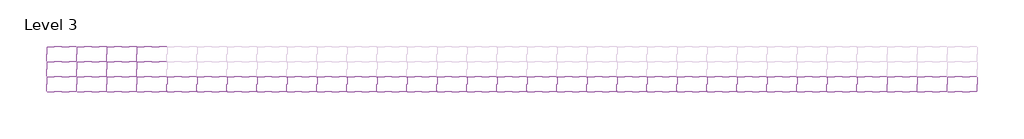
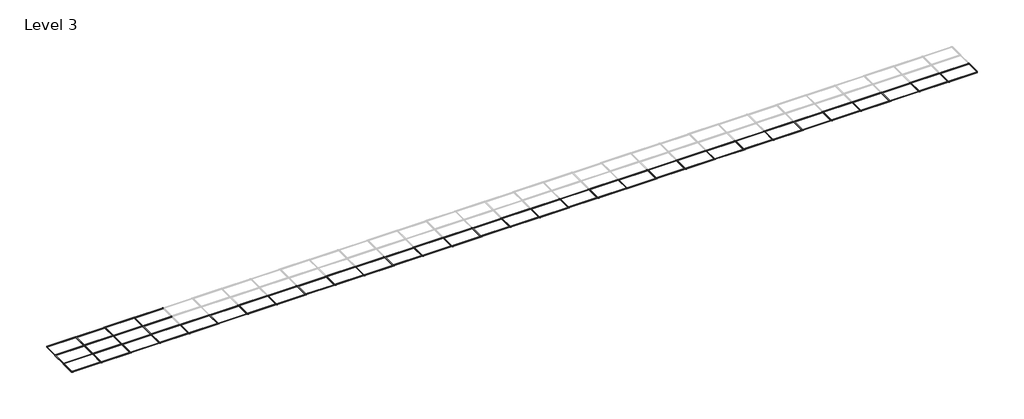
# One storey, part 1 of 2: 110 beams.
"""IFC4 building model written with IfcOpenShell, lengths in millimetres."""

import ifcopenshell
import ifcopenshell.guid

model = None  # the IFC model being written
_history = None  # IfcOwnerHistory: only IFC2X3 demands one
_inside = {}  # id of a spatial element -> (the spatial element, [elements in it])
_under = {}  # id of a project, library or spatial element -> (it, [spatial elements below it])
_declared = {}  # id of a project -> (the project, [libraries it declares])
_typed = {}  # id of a type object -> (the type object, [elements of that type])
_made_of = {}  # id of a material, layer set ... -> (it, [elements and type objects made of it])


def new_model(schema):
    """Start an empty IFC model of exactly this schema.

    Asked for "IFC4X3", IfcOpenShell would pick the latest addendum, in which some entities
    have other attributes; the version numbers below select the first issue.
    IFC2X3 requires an IfcOwnerHistory on every rooted entity: one is made here for all.
    """
    global model, _history
    if schema == "IFC4X3":
        model = ifcopenshell.file(schema_version=(4, 3, 0, 0))
    else:
        model = ifcopenshell.file(schema=schema)
    _inside.clear()
    _under.clear()
    _declared.clear()
    _typed.clear()
    _made_of.clear()
    _history = None
    if model.schema == "IFC2X3":
        org = make("IfcOrganization", Name="unknown")
        user = make(
            "IfcPersonAndOrganization",
            ThePerson=make("IfcPerson", FamilyName="unknown"),
            TheOrganization=org,
        )
        app = make(
            "IfcApplication",
            ApplicationDeveloper=org,
            Version="unknown",
            ApplicationFullName="unknown",
            ApplicationIdentifier="unknown",
        )
        _history = make(
            "IfcOwnerHistory",
            OwningUser=user,
            OwningApplication=app,
            ChangeAction="ADDED",
            CreationDate=0,
        )
    return model


def make(cls, **values):
    """One entity of the class cls with the attributes given. An attribute that is None is left unset."""
    return model.create_entity(
        cls, **{name: value for name, value in values.items() if value is not None}
    )


def rooted(cls, **values):
    """An entity with a GlobalId (a new one), such as an element, a storey or a relation."""
    return make(cls, GlobalId=ifcopenshell.guid.new(), OwnerHistory=_history, **values)


def si_unit(unit_type, name, prefix=None):
    """IfcSIUnit, for example si_unit("LENGTHUNIT", "METRE", prefix="MILLI")."""
    return make("IfcSIUnit", UnitType=unit_type, Prefix=prefix, Name=name)


def assignment(units):
    """IfcUnitAssignment: the units of a project."""
    return None if units is None else make("IfcUnitAssignment", Units=units)


def point(xyz):
    """IfcCartesianPoint."""
    return None if xyz is None else make("IfcCartesianPoint", Coordinates=xyz)


def direction(xyz):
    """IfcDirection."""
    return None if xyz is None else make("IfcDirection", DirectionRatios=xyz)


def frame(location, z_axis=None, x_axis=None):
    """IfcAxis2Placement3D, a coordinate frame: its origin and axes. An axis left out is left unset."""
    return make(
        "IfcAxis2Placement3D",
        Location=point(location),
        Axis=direction(z_axis),
        RefDirection=direction(x_axis),
    )


def frame_2d(location, x_axis=None):
    """IfcAxis2Placement2D, a coordinate frame in the plane: its origin and x axis."""
    return make(
        "IfcAxis2Placement2D", Location=point(location), RefDirection=direction(x_axis)
    )


def origin():
    """The frame at (0, 0, 0) with its axes left unset."""
    return frame((0.0, 0.0, 0.0))


def place(relative_to, where):
    """IfcLocalPlacement: puts the frame where relative to a parent placement (None: the world)."""
    return make(
        "IfcLocalPlacement", PlacementRelTo=relative_to, RelativePlacement=where
    )


def context(
    kind, dimensions, precision=None, world=None, true_north=None, identifier=None
):
    """IfcGeometricRepresentationContext, for example the 3D "Model" context."""
    return make(
        "IfcGeometricRepresentationContext",
        ContextIdentifier=identifier,
        ContextType=kind,
        CoordinateSpaceDimension=dimensions,
        Precision=precision,
        WorldCoordinateSystem=world,
        TrueNorth=true_north,
    )


def project(units=None, contexts=None):
    """IfcProject with its units and contexts."""
    return rooted(
        "IfcProject",
        Name="project",
        RepresentationContexts=contexts,
        UnitsInContext=assignment(units),
    )


def spatial(cls, under=None, at=None, **own):
    """A site, building, storey or space (cls), placed at a placement, below another one or the project."""
    s = rooted(cls, ObjectPlacement=at, **own)
    if under is not None:
        _under.setdefault(under.id(), (under, []))[1].append(s)
    return s


def polyline(points):
    """IfcPolyline through the points."""
    return make("IfcPolyline", Points=[point(p) for p in points])


def circle_curve(where, radius):
    """IfcCircle in the frame where."""
    return make("IfcCircle", Position=where, Radius=radius)


def trimmed(basis, trim1, trim2, sense, master):
    """IfcTrimmedCurve: the piece of a basis curve between two trims."""
    return make(
        "IfcTrimmedCurve",
        BasisCurve=basis,
        Trim1=trim1,
        Trim2=trim2,
        SenseAgreement=sense,
        MasterRepresentation=master,
    )


def segment(curve, same_sense, transition):
    """IfcCompositeCurveSegment."""
    return make(
        "IfcCompositeCurveSegment",
        Transition=transition,
        SameSense=same_sense,
        ParentCurve=curve,
    )


def composite_curve(segments, self_intersect=None):
    """IfcCompositeCurve: segments joined end to end."""
    return make("IfcCompositeCurve", Segments=segments, SelfIntersect=self_intersect)


def outline(outer, holes=None, kind="AREA"):
    """IfcArbitraryClosedProfileDef: a profile drawn as a closed curve; with holes, ...WithVoids."""
    if holes is None:
        return make("IfcArbitraryClosedProfileDef", ProfileType=kind, OuterCurve=outer)
    return make(
        "IfcArbitraryProfileDefWithVoids",
        ProfileType=kind,
        OuterCurve=outer,
        InnerCurves=holes,
    )


def extrude(swept, where, along, depth):
    """IfcExtrudedAreaSolid: the profile swept, set in the frame where, extruded along a direction by depth."""
    return make(
        "IfcExtrudedAreaSolid",
        SweptArea=swept,
        Position=where,
        ExtrudedDirection=direction(along),
        Depth=depth,
    )


def shape(context_of_items, identifier, shape_type, items):
    """IfcShapeRepresentation: the items that make up one representation, for example the "Body"."""
    return make(
        "IfcShapeRepresentation",
        ContextOfItems=context_of_items,
        RepresentationIdentifier=identifier,
        RepresentationType=shape_type,
        Items=items,
    )


def source(mapping_origin, context_of_items, identifier, shape_type, items):
    """IfcRepresentationMap: a shape defined once, which mapped items show again and again."""
    return make(
        "IfcRepresentationMap",
        MappingOrigin=mapping_origin,
        MappedRepresentation=shape(context_of_items, identifier, shape_type, items),
    )


def transform(
    local_origin,
    x_axis=None,
    y_axis=None,
    z_axis=None,
    scale=None,
    scale2=None,
    scale3=None,
    uniform=True,
):
    """IfcCartesianTransformationOperator3D, or its non-uniform kind. x_axis, y_axis, z_axis: its Axis1, 2, 3."""
    if uniform:
        return make(
            "IfcCartesianTransformationOperator3D",
            Axis1=direction(x_axis),
            Axis2=direction(y_axis),
            LocalOrigin=point(local_origin),
            Scale=scale,
            Axis3=direction(z_axis),
        )
    return make(
        "IfcCartesianTransformationOperator3DnonUniform",
        Axis1=direction(x_axis),
        Axis2=direction(y_axis),
        LocalOrigin=point(local_origin),
        Scale=scale,
        Axis3=direction(z_axis),
        Scale2=scale2,
        Scale3=scale3,
    )


def mapped(mapping_source, mapping_target):
    """IfcMappedItem: shows the shape of a source again, moved by a transform."""
    return make(
        "IfcMappedItem", MappingSource=mapping_source, MappingTarget=mapping_target
    )


def made_of(thing, what):
    """Note that an element or type object is made of a material, layer set ...; save() writes the relation."""
    if what is not None:
        _made_of.setdefault(what.id(), (what, []))[1].append(thing)
    return thing


def element(
    cls,
    number,
    at=None,
    inside=None,
    cuts=None,
    type_object=None,
    material=None,
    context=None,
    identifier="Body",
    shape_type=None,
    held_by="IfcProductDefinitionShape",
    body=None,
    shapes=None,
    **own,
):
    """One element of the class cls, such as IfcWall. Its Tag is "e" and its number.

    at: its placement. inside: the storey or other place that contains it. cuts: it is an
    opening in that element (IfcRelVoidsElement). A single representation is given by context,
    identifier, shape_type and body (its items); several are given by shapes. held_by: the class
    of the entity that holds the representations. save() writes the other relations.
    """
    e = rooted(cls, Tag="e%d" % number, ObjectPlacement=at, **own)
    if body is not None:
        shapes = [shape(context, identifier, shape_type, body)]
    if shapes is not None:
        e.Representation = make(held_by, Representations=shapes)
    if inside is not None:
        _inside.setdefault(inside.id(), (inside, []))[1].append(e)
    if cuts is not None:
        rooted(
            "IfcRelVoidsElement", RelatingBuildingElement=cuts, RelatedOpeningElement=e
        )
    if type_object is not None:
        _typed.setdefault(type_object.id(), (type_object, []))[1].append(e)
    return made_of(e, material)


def aggregate(whole, parts):
    """IfcRelAggregates: a whole, such as a stair, and the parts it consists of."""
    return rooted("IfcRelAggregates", RelatingObject=whole, RelatedObjects=parts)


def save(model, path):
    """Write the relations noted so far, then the file.

    IfcRelAggregates (storeys below a building ...), IfcRelContainedInSpatialStructure (elements
    in a storey), IfcRelDefinesByType, IfcRelAssociatesMaterial and IfcRelDeclares: one each for
    every whole, place, type object, material and project.
    """
    for whole, parts in _under.values():
        aggregate(whole, parts)
    for where, things in _inside.values():
        rooted(
            "IfcRelContainedInSpatialStructure",
            RelatedElements=things,
            RelatingStructure=where,
        )
    for kind, things in _typed.values():
        rooted("IfcRelDefinesByType", RelatedObjects=things, RelatingType=kind)
    for what, things in _made_of.values():
        rooted("IfcRelAssociatesMaterial", RelatedObjects=things, RelatingMaterial=what)
    for by, libraries in _declared.values():
        rooted("IfcRelDeclares", RelatingContext=by, RelatedDefinitions=libraries)
    model.write(path)


def w_wide_flange_w18x76_65f6f81b(model_context):
    return source(origin(), model_context, "Body", "SweptSolid", [
        extrude(outline(composite_curve([segment(polyline([(82.4011719, -145.5539063), (82.4011719, -155.178125), (-82.4011719, -155.178125), (-82.4011719, -145.5539063), (-20.2902344, -145.5539063)]), True, "CONTINUOUS"), segment(trimmed(circle_curve(frame_2d((-20.2902344, -128.190625)), 17.3632812), [point((-20.2902344, -145.5539063))], [point((-2.9269531, -128.190625))], True, "CARTESIAN"), True, "CONTINUOUS"), segment(polyline([(-2.9269531, -128.190625), (-2.9269531, 128.190625)]), True, "CONTINUOUS"), segment(trimmed(circle_curve(frame_2d((-20.2902344, 128.190625)), 17.3632812), [point((-2.9269531, 128.190625))], [point((-20.2902344, 145.5539062))], True, "CARTESIAN"), True, "CONTINUOUS"), segment(polyline([(-20.2902344, 145.5539062), (-82.4011719, 145.5539062), (-82.4011719, 155.178125), (82.4011719, 155.178125), (82.4011719, 145.5539062), (20.2902344, 145.5539062)]), True, "CONTINUOUS"), segment(trimmed(circle_curve(frame_2d((20.2902344, 128.190625)), 17.3632812), [point((20.2902344, 145.5539062))], [point((2.9269531, 128.190625))], True, "CARTESIAN"), True, "CONTINUOUS"), segment(polyline([(2.9269531, 128.190625), (2.9269531, -128.190625)]), True, "CONTINUOUS"), segment(trimmed(circle_curve(frame_2d((20.2902344, -128.190625)), 17.3632812), [point((2.9269531, -128.190625))], [point((20.2902344, -145.5539063))], True, "CARTESIAN"), True, "CONTINUOUS"), segment(polyline([(20.2902344, -145.5539063), (82.4011719, -145.5539063)]), True, "CONTINUOUS")], self_intersect=False)), frame((-5910.5905386, 0.0, 0.0), z_axis=(1.0, 0.0, 0.0), x_axis=(0.0, 1.0, 0.0)), (0.0, 0.0, 1.0), 11964.3921875),
    ])


def w_wide_flange_w18x76_07b850c1(model_context):
    return source(origin(), model_context, "Body", "SweptSolid", [
        extrude(outline(composite_curve([segment(polyline([(82.4011719, -145.5539063), (82.4011719, -155.178125), (-82.4011719, -155.178125), (-82.4011719, -145.5539063), (-20.2902344, -145.5539063)]), True, "CONTINUOUS"), segment(trimmed(circle_curve(frame_2d((-20.2902344, -128.190625)), 17.3632812), [point((-20.2902344, -145.5539063))], [point((-2.9269531, -128.190625))], True, "CARTESIAN"), True, "CONTINUOUS"), segment(polyline([(-2.9269531, -128.190625), (-2.9269531, 128.190625)]), True, "CONTINUOUS"), segment(trimmed(circle_curve(frame_2d((-20.2902344, 128.190625)), 17.3632812), [point((-2.9269531, 128.190625))], [point((-20.2902344, 145.5539062))], True, "CARTESIAN"), True, "CONTINUOUS"), segment(polyline([(-20.2902344, 145.5539062), (-82.4011719, 145.5539062), (-82.4011719, 155.178125), (82.4011719, 155.178125), (82.4011719, 145.5539062), (20.2902344, 145.5539062)]), True, "CONTINUOUS"), segment(trimmed(circle_curve(frame_2d((20.2902344, 128.190625)), 17.3632812), [point((20.2902344, 145.5539062))], [point((2.9269531, 128.190625))], True, "CARTESIAN"), True, "CONTINUOUS"), segment(polyline([(2.9269531, 128.190625), (2.9269531, -128.190625)]), True, "CONTINUOUS"), segment(trimmed(circle_curve(frame_2d((20.2902344, -128.190625)), 17.3632812), [point((2.9269531, -128.190625))], [point((20.2902344, -145.5539063))], True, "CARTESIAN"), True, "CONTINUOUS"), segment(polyline([(20.2902344, -145.5539063), (82.4011719, -145.5539063)]), True, "CONTINUOUS")], self_intersect=False)), frame((-2911.7230469, 0.0, 0.0), z_axis=(1.0, 0.0, 0.0), x_axis=(0.0, 1.0, 0.0)), (0.0, 0.0, 1.0), 5823.4460938),
    ])


model = new_model("IFC4")

# Units and contexts
model_context = context("Model", 3, world=origin())
ifc_project = project(units=[si_unit("LENGTHUNIT", "METRE", prefix="MILLI")], contexts=[model_context])

# Site, building, storey
site = spatial("IfcSite", under=ifc_project)
building = spatial("IfcBuilding", under=site)
storey = spatial("IfcBuildingStorey", under=building, Name="Level 3", Elevation=12192.0)

# Beams
placement = place(None, origin())
w_wide_flange_w18x76_shape = w_wide_flange_w18x76_65f6f81b(model_context)
element("IfcBeam", 1, ObjectType="W-Wide Flange : W18x76", at=placement, inside=storey, context=model_context, shape_type="MappedRepresentation", body=[
    mapped(w_wide_flange_w18x76_shape, transform((-390352.3745776, -8306.4534069, 18132.821875), x_axis=(-1.0, 0.0, 0.0), y_axis=(0.0, -1.0, 0.0), z_axis=(0.0, 0.0, 1.0))),
])
element("IfcBeam", 2, ObjectType="W-Wide Flange : W18x76", at=placement, inside=storey, context=model_context, shape_type="MappedRepresentation", body=[
    mapped(w_wide_flange_w18x76_shape, transform((-390352.3745776, -2210.4534069, 18132.821875), x_axis=(-1.0, 0.0, 0.0), y_axis=(0.0, -1.0, 0.0), z_axis=(0.0, 0.0, 1.0))),
])
element("IfcBeam", 3, ObjectType="W-Wide Flange : W18x76", at=placement, inside=storey, context=model_context, shape_type="MappedRepresentation", body=[
    mapped(w_wide_flange_w18x76_shape, transform((-390352.3745776, 3885.5465931, 18132.821875), x_axis=(-1.0, 0.0, 0.0), y_axis=(0.0, -1.0, 0.0), z_axis=(0.0, 0.0, 1.0))),
])
element("IfcBeam", 4, ObjectType="W-Wide Flange : W18x76", at=placement, inside=storey, context=model_context, shape_type="MappedRepresentation", body=[
    mapped(w_wide_flange_w18x76_shape, transform((-390352.3745776, 9981.5465931, 18132.821875), x_axis=(-1.0, 0.0, 0.0), y_axis=(0.0, -1.0, 0.0), z_axis=(0.0, 0.0, 1.0))),
])
element("IfcBeam", 5, ObjectType="W-Wide Flange : W18x76", at=placement, inside=storey, context=model_context, shape_type="MappedRepresentation", body=[
    mapped(w_wide_flange_w18x76_shape, transform((-378160.3745776, -8306.4534069, 18132.821875), x_axis=(-1.0, 0.0, 0.0), y_axis=(0.0, -1.0, 0.0), z_axis=(0.0, 0.0, 1.0))),
])
element("IfcBeam", 6, ObjectType="W-Wide Flange : W18x76", at=placement, inside=storey, context=model_context, shape_type="MappedRepresentation", body=[
    mapped(w_wide_flange_w18x76_shape, transform((-378160.3745776, -2210.4534069, 18132.821875), x_axis=(-1.0, 0.0, 0.0), y_axis=(0.0, -1.0, 0.0), z_axis=(0.0, 0.0, 1.0))),
])
element("IfcBeam", 7, ObjectType="W-Wide Flange : W18x76", at=placement, inside=storey, context=model_context, shape_type="MappedRepresentation", body=[
    mapped(w_wide_flange_w18x76_shape, transform((-378160.3745776, 3885.5465931, 18132.821875), x_axis=(-1.0, 0.0, 0.0), y_axis=(0.0, -1.0, 0.0), z_axis=(0.0, 0.0, 1.0))),
])
element("IfcBeam", 8, ObjectType="W-Wide Flange : W18x76", at=placement, inside=storey, context=model_context, shape_type="MappedRepresentation", body=[
    mapped(w_wide_flange_w18x76_shape, transform((-378160.3745776, 9981.5465931, 18132.821875), x_axis=(-1.0, 0.0, 0.0), y_axis=(0.0, -1.0, 0.0), z_axis=(0.0, 0.0, 1.0))),
])
element("IfcBeam", 9, ObjectType="W-Wide Flange : W18x76", at=placement, inside=storey, context=model_context, shape_type="MappedRepresentation", body=[
    mapped(w_wide_flange_w18x76_shape, transform((-365968.3745776, -8306.4534069, 18132.821875), x_axis=(-1.0, 0.0, 0.0), y_axis=(0.0, -1.0, 0.0), z_axis=(0.0, 0.0, 1.0))),
])
element("IfcBeam", 10, ObjectType="W-Wide Flange : W18x76", at=placement, inside=storey, context=model_context, shape_type="MappedRepresentation", body=[
    mapped(w_wide_flange_w18x76_shape, transform((-365968.3745776, -2210.4534069, 18132.821875), x_axis=(-1.0, 0.0, 0.0), y_axis=(0.0, -1.0, 0.0), z_axis=(0.0, 0.0, 1.0))),
])
element("IfcBeam", 11, ObjectType="W-Wide Flange : W18x76", at=placement, inside=storey, context=model_context, shape_type="MappedRepresentation", body=[
    mapped(w_wide_flange_w18x76_shape, transform((-365968.3745776, 3885.5465931, 18132.821875), x_axis=(-1.0, 0.0, 0.0), y_axis=(0.0, -1.0, 0.0), z_axis=(0.0, 0.0, 1.0))),
])
element("IfcBeam", 12, ObjectType="W-Wide Flange : W18x76", at=placement, inside=storey, context=model_context, shape_type="MappedRepresentation", body=[
    mapped(w_wide_flange_w18x76_shape, transform((-365968.3745776, 9981.5465931, 18132.821875), x_axis=(-1.0, 0.0, 0.0), y_axis=(0.0, -1.0, 0.0), z_axis=(0.0, 0.0, 1.0))),
])
element("IfcBeam", 13, ObjectType="W-Wide Flange : W18x76", at=placement, inside=storey, context=model_context, shape_type="MappedRepresentation", body=[
    mapped(w_wide_flange_w18x76_shape, transform((-353776.3745776, -8306.4534069, 18132.821875), x_axis=(-1.0, 0.0, 0.0), y_axis=(0.0, -1.0, 0.0), z_axis=(0.0, 0.0, 1.0))),
])
element("IfcBeam", 14, ObjectType="W-Wide Flange : W18x76", at=placement, inside=storey, context=model_context, shape_type="MappedRepresentation", body=[
    mapped(w_wide_flange_w18x76_shape, transform((-353776.3745776, -2210.4534069, 18132.821875), x_axis=(-1.0, 0.0, 0.0), y_axis=(0.0, -1.0, 0.0), z_axis=(0.0, 0.0, 1.0))),
])
element("IfcBeam", 15, ObjectType="W-Wide Flange : W18x76", at=placement, inside=storey, context=model_context, shape_type="MappedRepresentation", body=[
    mapped(w_wide_flange_w18x76_shape, transform((-353776.3745776, 3885.5465931, 18132.821875), x_axis=(-1.0, 0.0, 0.0), y_axis=(0.0, -1.0, 0.0), z_axis=(0.0, 0.0, 1.0))),
])
element("IfcBeam", 16, ObjectType="W-Wide Flange : W18x76", at=placement, inside=storey, context=model_context, shape_type="MappedRepresentation", body=[
    mapped(w_wide_flange_w18x76_shape, transform((-353776.3745776, 9981.5465931, 18132.821875), x_axis=(-1.0, 0.0, 0.0), y_axis=(0.0, -1.0, 0.0), z_axis=(0.0, 0.0, 1.0))),
])
element("IfcBeam", 17, ObjectType="W-Wide Flange : W18x76", at=placement, inside=storey, context=model_context, shape_type="MappedRepresentation", body=[
    mapped(w_wide_flange_w18x76_shape, transform((-341584.3745776, -8306.4534069, 18132.821875), x_axis=(-1.0, 0.0, 0.0), y_axis=(0.0, -1.0, 0.0), z_axis=(0.0, 0.0, 1.0))),
])
element("IfcBeam", 18, ObjectType="W-Wide Flange : W18x76", at=placement, inside=storey, context=model_context, shape_type="MappedRepresentation", body=[
    mapped(w_wide_flange_w18x76_shape, transform((-341584.3745776, -2210.4534069, 18132.821875), x_axis=(-1.0, 0.0, 0.0), y_axis=(0.0, -1.0, 0.0), z_axis=(0.0, 0.0, 1.0))),
])
element("IfcBeam", 19, ObjectType="W-Wide Flange : W18x76", at=placement, inside=storey, context=model_context, shape_type="MappedRepresentation", body=[
    mapped(w_wide_flange_w18x76_shape, transform((-329392.3745776, -8306.4534069, 18132.821875), x_axis=(-1.0, 0.0, 0.0), y_axis=(0.0, -1.0, 0.0), z_axis=(0.0, 0.0, 1.0))),
])
element("IfcBeam", 20, ObjectType="W-Wide Flange : W18x76", at=placement, inside=storey, context=model_context, shape_type="MappedRepresentation", body=[
    mapped(w_wide_flange_w18x76_shape, transform((-329392.3745776, -2210.4534069, 18132.821875), x_axis=(-1.0, 0.0, 0.0), y_axis=(0.0, -1.0, 0.0), z_axis=(0.0, 0.0, 1.0))),
])
element("IfcBeam", 21, ObjectType="W-Wide Flange : W18x76", at=placement, inside=storey, context=model_context, shape_type="MappedRepresentation", body=[
    mapped(w_wide_flange_w18x76_shape, transform((-317200.3745776, -8306.4534069, 18132.821875), x_axis=(-1.0, 0.0, 0.0), y_axis=(0.0, -1.0, 0.0), z_axis=(0.0, 0.0, 1.0))),
])
element("IfcBeam", 22, ObjectType="W-Wide Flange : W18x76", at=placement, inside=storey, context=model_context, shape_type="MappedRepresentation", body=[
    mapped(w_wide_flange_w18x76_shape, transform((-317200.3745776, -2210.4534069, 18132.821875), x_axis=(-1.0, 0.0, 0.0), y_axis=(0.0, -1.0, 0.0), z_axis=(0.0, 0.0, 1.0))),
])
element("IfcBeam", 23, ObjectType="W-Wide Flange : W18x76", at=placement, inside=storey, context=model_context, shape_type="MappedRepresentation", body=[
    mapped(w_wide_flange_w18x76_shape, transform((-305008.3745776, -8306.4534069, 18132.821875), x_axis=(-1.0, 0.0, 0.0), y_axis=(0.0, -1.0, 0.0), z_axis=(0.0, 0.0, 1.0))),
])
element("IfcBeam", 24, ObjectType="W-Wide Flange : W18x76", at=placement, inside=storey, context=model_context, shape_type="MappedRepresentation", body=[
    mapped(w_wide_flange_w18x76_shape, transform((-305008.3745776, -2210.4534069, 18132.821875), x_axis=(-1.0, 0.0, 0.0), y_axis=(0.0, -1.0, 0.0), z_axis=(0.0, 0.0, 1.0))),
])
element("IfcBeam", 25, ObjectType="W-Wide Flange : W18x76", at=placement, inside=storey, context=model_context, shape_type="MappedRepresentation", body=[
    mapped(w_wide_flange_w18x76_shape, transform((-292816.3745776, -8306.4534069, 18132.821875), x_axis=(-1.0, 0.0, 0.0), y_axis=(0.0, -1.0, 0.0), z_axis=(0.0, 0.0, 1.0))),
])
element("IfcBeam", 26, ObjectType="W-Wide Flange : W18x76", at=placement, inside=storey, context=model_context, shape_type="MappedRepresentation", body=[
    mapped(w_wide_flange_w18x76_shape, transform((-292816.3745776, -2210.4534069, 18132.821875), x_axis=(-1.0, 0.0, 0.0), y_axis=(0.0, -1.0, 0.0), z_axis=(0.0, 0.0, 1.0))),
])
element("IfcBeam", 27, ObjectType="W-Wide Flange : W18x76", at=placement, inside=storey, context=model_context, shape_type="MappedRepresentation", body=[
    mapped(w_wide_flange_w18x76_shape, transform((-280624.3745776, -8306.4534069, 18132.821875), x_axis=(-1.0, 0.0, 0.0), y_axis=(0.0, -1.0, 0.0), z_axis=(0.0, 0.0, 1.0))),
])
element("IfcBeam", 28, ObjectType="W-Wide Flange : W18x76", at=placement, inside=storey, context=model_context, shape_type="MappedRepresentation", body=[
    mapped(w_wide_flange_w18x76_shape, transform((-280624.3745776, -2210.4534069, 18132.821875), x_axis=(-1.0, 0.0, 0.0), y_axis=(0.0, -1.0, 0.0), z_axis=(0.0, 0.0, 1.0))),
])
element("IfcBeam", 29, ObjectType="W-Wide Flange : W18x76", at=placement, inside=storey, context=model_context, shape_type="MappedRepresentation", body=[
    mapped(w_wide_flange_w18x76_shape, transform((-268432.3745776, -8306.4534069, 18132.821875), x_axis=(-1.0, 0.0, 0.0), y_axis=(0.0, -1.0, 0.0), z_axis=(0.0, 0.0, 1.0))),
])
element("IfcBeam", 30, ObjectType="W-Wide Flange : W18x76", at=placement, inside=storey, context=model_context, shape_type="MappedRepresentation", body=[
    mapped(w_wide_flange_w18x76_shape, transform((-268432.3745776, -2210.4534069, 18132.821875), x_axis=(-1.0, 0.0, 0.0), y_axis=(0.0, -1.0, 0.0), z_axis=(0.0, 0.0, 1.0))),
])
element("IfcBeam", 31, ObjectType="W-Wide Flange : W18x76", at=placement, inside=storey, context=model_context, shape_type="MappedRepresentation", body=[
    mapped(w_wide_flange_w18x76_shape, transform((-256240.3745776, -8306.4534069, 18132.821875), x_axis=(-1.0, 0.0, 0.0), y_axis=(0.0, -1.0, 0.0), z_axis=(0.0, 0.0, 1.0))),
])
element("IfcBeam", 32, ObjectType="W-Wide Flange : W18x76", at=placement, inside=storey, context=model_context, shape_type="MappedRepresentation", body=[
    mapped(w_wide_flange_w18x76_shape, transform((-256240.3745776, -2210.4534069, 18132.821875), x_axis=(-1.0, 0.0, 0.0), y_axis=(0.0, -1.0, 0.0), z_axis=(0.0, 0.0, 1.0))),
])
element("IfcBeam", 33, ObjectType="W-Wide Flange : W18x76", at=placement, inside=storey, context=model_context, shape_type="MappedRepresentation", body=[
    mapped(w_wide_flange_w18x76_shape, transform((-244048.3745776, -8306.4534069, 18132.821875), x_axis=(-1.0, 0.0, 0.0), y_axis=(0.0, -1.0, 0.0), z_axis=(0.0, 0.0, 1.0))),
])
element("IfcBeam", 34, ObjectType="W-Wide Flange : W18x76", at=placement, inside=storey, context=model_context, shape_type="MappedRepresentation", body=[
    mapped(w_wide_flange_w18x76_shape, transform((-244048.3745776, -2210.4534069, 18132.821875), x_axis=(-1.0, 0.0, 0.0), y_axis=(0.0, -1.0, 0.0), z_axis=(0.0, 0.0, 1.0))),
])
element("IfcBeam", 35, ObjectType="W-Wide Flange : W18x76", at=placement, inside=storey, context=model_context, shape_type="MappedRepresentation", body=[
    mapped(w_wide_flange_w18x76_shape, transform((-231856.3745776, -8306.4534069, 18132.821875), x_axis=(-1.0, 0.0, 0.0), y_axis=(0.0, -1.0, 0.0), z_axis=(0.0, 0.0, 1.0))),
])
element("IfcBeam", 36, ObjectType="W-Wide Flange : W18x76", at=placement, inside=storey, context=model_context, shape_type="MappedRepresentation", body=[
    mapped(w_wide_flange_w18x76_shape, transform((-231856.3745776, -2210.4534069, 18132.821875), x_axis=(-1.0, 0.0, 0.0), y_axis=(0.0, -1.0, 0.0), z_axis=(0.0, 0.0, 1.0))),
])
element("IfcBeam", 37, ObjectType="W-Wide Flange : W18x76", at=placement, inside=storey, context=model_context, shape_type="MappedRepresentation", body=[
    mapped(w_wide_flange_w18x76_shape, transform((-219664.3745776, -8306.4534069, 18132.821875), x_axis=(-1.0, 0.0, 0.0), y_axis=(0.0, -1.0, 0.0), z_axis=(0.0, 0.0, 1.0))),
])
element("IfcBeam", 38, ObjectType="W-Wide Flange : W18x76", at=placement, inside=storey, context=model_context, shape_type="MappedRepresentation", body=[
    mapped(w_wide_flange_w18x76_shape, transform((-219664.3745776, -2210.4534069, 18132.821875), x_axis=(-1.0, 0.0, 0.0), y_axis=(0.0, -1.0, 0.0), z_axis=(0.0, 0.0, 1.0))),
])
element("IfcBeam", 39, ObjectType="W-Wide Flange : W18x76", at=placement, inside=storey, context=model_context, shape_type="MappedRepresentation", body=[
    mapped(w_wide_flange_w18x76_shape, transform((-207472.3745776, -8306.4534069, 18132.821875), x_axis=(-1.0, 0.0, 0.0), y_axis=(0.0, -1.0, 0.0), z_axis=(0.0, 0.0, 1.0))),
])
element("IfcBeam", 40, ObjectType="W-Wide Flange : W18x76", at=placement, inside=storey, context=model_context, shape_type="MappedRepresentation", body=[
    mapped(w_wide_flange_w18x76_shape, transform((-207472.3745776, -2210.4534069, 18132.821875), x_axis=(-1.0, 0.0, 0.0), y_axis=(0.0, -1.0, 0.0), z_axis=(0.0, 0.0, 1.0))),
])
element("IfcBeam", 41, ObjectType="W-Wide Flange : W18x76", at=placement, inside=storey, context=model_context, shape_type="MappedRepresentation", body=[
    mapped(w_wide_flange_w18x76_shape, transform((-195280.3745776, -8306.4534069, 18132.821875), x_axis=(-1.0, 0.0, 0.0), y_axis=(0.0, -1.0, 0.0), z_axis=(0.0, 0.0, 1.0))),
])
element("IfcBeam", 42, ObjectType="W-Wide Flange : W18x76", at=placement, inside=storey, context=model_context, shape_type="MappedRepresentation", body=[
    mapped(w_wide_flange_w18x76_shape, transform((-195280.3745776, -2210.4534069, 18132.821875), x_axis=(-1.0, 0.0, 0.0), y_axis=(0.0, -1.0, 0.0), z_axis=(0.0, 0.0, 1.0))),
])
element("IfcBeam", 43, ObjectType="W-Wide Flange : W18x76", at=placement, inside=storey, context=model_context, shape_type="MappedRepresentation", body=[
    mapped(w_wide_flange_w18x76_shape, transform((-183088.3745776, -8306.4534069, 18132.821875), x_axis=(-1.0, 0.0, 0.0), y_axis=(0.0, -1.0, 0.0), z_axis=(0.0, 0.0, 1.0))),
])
element("IfcBeam", 44, ObjectType="W-Wide Flange : W18x76", at=placement, inside=storey, context=model_context, shape_type="MappedRepresentation", body=[
    mapped(w_wide_flange_w18x76_shape, transform((-183088.3745776, -2210.4534069, 18132.821875), x_axis=(-1.0, 0.0, 0.0), y_axis=(0.0, -1.0, 0.0), z_axis=(0.0, 0.0, 1.0))),
])
element("IfcBeam", 45, ObjectType="W-Wide Flange : W18x76", at=placement, inside=storey, context=model_context, shape_type="MappedRepresentation", body=[
    mapped(w_wide_flange_w18x76_shape, transform((-170896.3745776, -8306.4534069, 18132.821875), x_axis=(-1.0, 0.0, 0.0), y_axis=(0.0, -1.0, 0.0), z_axis=(0.0, 0.0, 1.0))),
])
element("IfcBeam", 46, ObjectType="W-Wide Flange : W18x76", at=placement, inside=storey, context=model_context, shape_type="MappedRepresentation", body=[
    mapped(w_wide_flange_w18x76_shape, transform((-170896.3745776, -2210.4534069, 18132.821875), x_axis=(-1.0, 0.0, 0.0), y_axis=(0.0, -1.0, 0.0), z_axis=(0.0, 0.0, 1.0))),
])
element("IfcBeam", 47, ObjectType="W-Wide Flange : W18x76", at=placement, inside=storey, context=model_context, shape_type="MappedRepresentation", body=[
    mapped(w_wide_flange_w18x76_shape, transform((-158704.3745776, -8306.4534069, 18132.821875), x_axis=(-1.0, 0.0, 0.0), y_axis=(0.0, -1.0, 0.0), z_axis=(0.0, 0.0, 1.0))),
])
element("IfcBeam", 48, ObjectType="W-Wide Flange : W18x76", at=placement, inside=storey, context=model_context, shape_type="MappedRepresentation", body=[
    mapped(w_wide_flange_w18x76_shape, transform((-158704.3745776, -2210.4534069, 18132.821875), x_axis=(-1.0, 0.0, 0.0), y_axis=(0.0, -1.0, 0.0), z_axis=(0.0, 0.0, 1.0))),
])
element("IfcBeam", 49, ObjectType="W-Wide Flange : W18x76", at=placement, inside=storey, context=model_context, shape_type="MappedRepresentation", body=[
    mapped(w_wide_flange_w18x76_shape, transform((-146512.3745776, -8306.4534069, 18132.821875), x_axis=(-1.0, 0.0, 0.0), y_axis=(0.0, -1.0, 0.0), z_axis=(0.0, 0.0, 1.0))),
])
element("IfcBeam", 50, ObjectType="W-Wide Flange : W18x76", at=placement, inside=storey, context=model_context, shape_type="MappedRepresentation", body=[
    mapped(w_wide_flange_w18x76_shape, transform((-146512.3745776, -2210.4534069, 18132.821875), x_axis=(-1.0, 0.0, 0.0), y_axis=(0.0, -1.0, 0.0), z_axis=(0.0, 0.0, 1.0))),
])
element("IfcBeam", 51, ObjectType="W-Wide Flange : W18x76", at=placement, inside=storey, context=model_context, shape_type="MappedRepresentation", body=[
    mapped(w_wide_flange_w18x76_shape, transform((-134320.3745776, -8306.4534069, 18132.821875), x_axis=(-1.0, 0.0, 0.0), y_axis=(0.0, -1.0, 0.0), z_axis=(0.0, 0.0, 1.0))),
])
element("IfcBeam", 52, ObjectType="W-Wide Flange : W18x76", at=placement, inside=storey, context=model_context, shape_type="MappedRepresentation", body=[
    mapped(w_wide_flange_w18x76_shape, transform((-134320.3745776, -2210.4534069, 18132.821875), x_axis=(-1.0, 0.0, 0.0), y_axis=(0.0, -1.0, 0.0), z_axis=(0.0, 0.0, 1.0))),
])
element("IfcBeam", 53, ObjectType="W-Wide Flange : W18x76", at=placement, inside=storey, context=model_context, shape_type="MappedRepresentation", body=[
    mapped(w_wide_flange_w18x76_shape, transform((-122128.3745776, -8306.4534069, 18132.821875), x_axis=(-1.0, 0.0, 0.0), y_axis=(0.0, -1.0, 0.0), z_axis=(0.0, 0.0, 1.0))),
])
element("IfcBeam", 54, ObjectType="W-Wide Flange : W18x76", at=placement, inside=storey, context=model_context, shape_type="MappedRepresentation", body=[
    mapped(w_wide_flange_w18x76_shape, transform((-122128.3745776, -2210.4534069, 18132.821875), x_axis=(-1.0, 0.0, 0.0), y_axis=(0.0, -1.0, 0.0), z_axis=(0.0, 0.0, 1.0))),
])
element("IfcBeam", 55, ObjectType="W-Wide Flange : W18x76", at=placement, inside=storey, context=model_context, shape_type="MappedRepresentation", body=[
    mapped(w_wide_flange_w18x76_shape, transform((-109936.3745776, -8306.4534069, 18132.821875), x_axis=(-1.0, 0.0, 0.0), y_axis=(0.0, -1.0, 0.0), z_axis=(0.0, 0.0, 1.0))),
])
element("IfcBeam", 56, ObjectType="W-Wide Flange : W18x76", at=placement, inside=storey, context=model_context, shape_type="MappedRepresentation", body=[
    mapped(w_wide_flange_w18x76_shape, transform((-109936.3745776, -2210.4534069, 18132.821875), x_axis=(-1.0, 0.0, 0.0), y_axis=(0.0, -1.0, 0.0), z_axis=(0.0, 0.0, 1.0))),
])
element("IfcBeam", 57, ObjectType="W-Wide Flange : W18x76", at=placement, inside=storey, context=model_context, shape_type="MappedRepresentation", body=[
    mapped(w_wide_flange_w18x76_shape, transform((-97744.3745776, -8306.4534069, 18132.821875), x_axis=(-1.0, 0.0, 0.0), y_axis=(0.0, -1.0, 0.0), z_axis=(0.0, 0.0, 1.0))),
])
element("IfcBeam", 58, ObjectType="W-Wide Flange : W18x76", at=placement, inside=storey, context=model_context, shape_type="MappedRepresentation", body=[
    mapped(w_wide_flange_w18x76_shape, transform((-97744.3745776, -2210.4534069, 18132.821875), x_axis=(-1.0, 0.0, 0.0), y_axis=(0.0, -1.0, 0.0), z_axis=(0.0, 0.0, 1.0))),
])
element("IfcBeam", 59, ObjectType="W-Wide Flange : W18x76", at=placement, inside=storey, context=model_context, shape_type="MappedRepresentation", body=[
    mapped(w_wide_flange_w18x76_shape, transform((-85552.3745776, -8306.4534069, 18132.821875), x_axis=(-1.0, 0.0, 0.0), y_axis=(0.0, -1.0, 0.0), z_axis=(0.0, 0.0, 1.0))),
])
element("IfcBeam", 60, ObjectType="W-Wide Flange : W18x76", at=placement, inside=storey, context=model_context, shape_type="MappedRepresentation", body=[
    mapped(w_wide_flange_w18x76_shape, transform((-85552.3745776, -2210.4534069, 18132.821875), x_axis=(-1.0, 0.0, 0.0), y_axis=(0.0, -1.0, 0.0), z_axis=(0.0, 0.0, 1.0))),
])
element("IfcBeam", 61, ObjectType="W-Wide Flange : W18x76", at=placement, inside=storey, context=model_context, shape_type="MappedRepresentation", body=[
    mapped(w_wide_flange_w18x76_shape, transform((-73360.3745776, -8306.4534069, 18132.821875), x_axis=(-1.0, 0.0, 0.0), y_axis=(0.0, -1.0, 0.0), z_axis=(0.0, 0.0, 1.0))),
])
element("IfcBeam", 62, ObjectType="W-Wide Flange : W18x76", at=placement, inside=storey, context=model_context, shape_type="MappedRepresentation", body=[
    mapped(w_wide_flange_w18x76_shape, transform((-73360.3745776, -2210.4534069, 18132.821875), x_axis=(-1.0, 0.0, 0.0), y_axis=(0.0, -1.0, 0.0), z_axis=(0.0, 0.0, 1.0))),
])
element("IfcBeam", 63, ObjectType="W-Wide Flange : W18x76", at=placement, inside=storey, context=model_context, shape_type="MappedRepresentation", body=[
    mapped(w_wide_flange_w18x76_shape, transform((-61168.3745776, -8306.4534069, 18132.821875), x_axis=(-1.0, 0.0, 0.0), y_axis=(0.0, -1.0, 0.0), z_axis=(0.0, 0.0, 1.0))),
])
element("IfcBeam", 64, ObjectType="W-Wide Flange : W18x76", at=placement, inside=storey, context=model_context, shape_type="MappedRepresentation", body=[
    mapped(w_wide_flange_w18x76_shape, transform((-61168.3745776, -2210.4534069, 18132.821875), x_axis=(-1.0, 0.0, 0.0), y_axis=(0.0, -1.0, 0.0), z_axis=(0.0, 0.0, 1.0))),
])
element("IfcBeam", 65, ObjectType="W-Wide Flange : W18x76", at=placement, inside=storey, context=model_context, shape_type="MappedRepresentation", body=[
    mapped(w_wide_flange_w18x76_shape, transform((-48976.3745776, -8306.4534069, 18132.821875), x_axis=(-1.0, 0.0, 0.0), y_axis=(0.0, -1.0, 0.0), z_axis=(0.0, 0.0, 1.0))),
])
element("IfcBeam", 66, ObjectType="W-Wide Flange : W18x76", at=placement, inside=storey, context=model_context, shape_type="MappedRepresentation", body=[
    mapped(w_wide_flange_w18x76_shape, transform((-48976.3745776, -2210.4534069, 18132.821875), x_axis=(-1.0, 0.0, 0.0), y_axis=(0.0, -1.0, 0.0), z_axis=(0.0, 0.0, 1.0))),
])
element("IfcBeam", 67, ObjectType="W-Wide Flange : W18x76", at=placement, inside=storey, context=model_context, shape_type="MappedRepresentation", body=[
    mapped(w_wide_flange_w18x76_shape, transform((-36784.3745776, -8306.4534069, 18132.821875), x_axis=(-1.0, 0.0, 0.0), y_axis=(0.0, -1.0, 0.0), z_axis=(0.0, 0.0, 1.0))),
])
element("IfcBeam", 68, ObjectType="W-Wide Flange : W18x76", at=placement, inside=storey, context=model_context, shape_type="MappedRepresentation", body=[
    mapped(w_wide_flange_w18x76_shape, transform((-36784.3745776, -2210.4534069, 18132.821875), x_axis=(-1.0, 0.0, 0.0), y_axis=(0.0, -1.0, 0.0), z_axis=(0.0, 0.0, 1.0))),
])
element("IfcBeam", 69, ObjectType="W-Wide Flange : W18x76", at=placement, inside=storey, context=model_context, shape_type="MappedRepresentation", body=[
    mapped(w_wide_flange_w18x76_shape, transform((-24592.3745776, -8306.4534069, 18132.821875), x_axis=(-1.0, 0.0, 0.0), y_axis=(0.0, -1.0, 0.0), z_axis=(0.0, 0.0, 1.0))),
])
element("IfcBeam", 70, ObjectType="W-Wide Flange : W18x76", at=placement, inside=storey, context=model_context, shape_type="MappedRepresentation", body=[
    mapped(w_wide_flange_w18x76_shape, transform((-24592.3745776, -2210.4534069, 18132.821875), x_axis=(-1.0, 0.0, 0.0), y_axis=(0.0, -1.0, 0.0), z_axis=(0.0, 0.0, 1.0))),
])
w_wide_flange_w18x76_2_shape = w_wide_flange_w18x76_07b850c1(model_context)
element("IfcBeam", 71, ObjectType="W-Wide Flange : W18x76", at=placement, inside=storey, context=model_context, shape_type="MappedRepresentation", body=[
    mapped(w_wide_flange_w18x76_2_shape, transform((-359943.9801328, 6933.5465931, 18132.821875), x_axis=(0.0, -1.0, 0.0), y_axis=(1.0, 0.0, 0.0), z_axis=(0.0, 0.0, 1.0))),
])
element("IfcBeam", 72, ObjectType="W-Wide Flange : W18x76", at=placement, inside=storey, context=model_context, shape_type="MappedRepresentation", body=[
    mapped(w_wide_flange_w18x76_2_shape, transform((-372135.9801328, 6933.5465931, 18132.821875), x_axis=(0.0, -1.0, 0.0), y_axis=(1.0, 0.0, 0.0), z_axis=(0.0, 0.0, 1.0))),
])
element("IfcBeam", 73, ObjectType="W-Wide Flange : W18x76", at=placement, inside=storey, context=model_context, shape_type="MappedRepresentation", body=[
    mapped(w_wide_flange_w18x76_2_shape, transform((-384327.9801328, 6933.5465931, 18132.821875), x_axis=(0.0, -1.0, 0.0), y_axis=(1.0, 0.0, 0.0), z_axis=(0.0, 0.0, 1.0))),
])
element("IfcBeam", 74, ObjectType="W-Wide Flange : W18x76", at=placement, inside=storey, context=model_context, shape_type="MappedRepresentation", body=[
    mapped(w_wide_flange_w18x76_2_shape, transform((-396519.9801328, 6933.5465931, 18132.821875), x_axis=(0.0, -1.0, 0.0), y_axis=(1.0, 0.0, 0.0), z_axis=(0.0, 0.0, 1.0))),
])
element("IfcBeam", 75, ObjectType="W-Wide Flange : W18x76", at=placement, inside=storey, context=model_context, shape_type="MappedRepresentation", body=[
    mapped(w_wide_flange_w18x76_2_shape, transform((-359943.9801328, 837.5465931, 18132.821875), x_axis=(0.0, -1.0, 0.0), y_axis=(1.0, 0.0, 0.0), z_axis=(0.0, 0.0, 1.0))),
])
element("IfcBeam", 76, ObjectType="W-Wide Flange : W18x76", at=placement, inside=storey, context=model_context, shape_type="MappedRepresentation", body=[
    mapped(w_wide_flange_w18x76_2_shape, transform((-372135.9801328, 837.5465931, 18132.821875), x_axis=(0.0, -1.0, 0.0), y_axis=(1.0, 0.0, 0.0), z_axis=(0.0, 0.0, 1.0))),
])
element("IfcBeam", 77, ObjectType="W-Wide Flange : W18x76", at=placement, inside=storey, context=model_context, shape_type="MappedRepresentation", body=[
    mapped(w_wide_flange_w18x76_2_shape, transform((-384327.9801328, 837.5465931, 18132.821875), x_axis=(0.0, -1.0, 0.0), y_axis=(1.0, 0.0, 0.0), z_axis=(0.0, 0.0, 1.0))),
])
element("IfcBeam", 78, ObjectType="W-Wide Flange : W18x76", at=placement, inside=storey, context=model_context, shape_type="MappedRepresentation", body=[
    mapped(w_wide_flange_w18x76_2_shape, transform((-396519.9801328, 837.5465931, 18132.821875), x_axis=(0.0, -1.0, 0.0), y_axis=(1.0, 0.0, 0.0), z_axis=(0.0, 0.0, 1.0))),
])
element("IfcBeam", 79, ObjectType="W-Wide Flange : W18x76", at=placement, inside=storey, context=model_context, shape_type="MappedRepresentation", body=[
    mapped(w_wide_flange_w18x76_2_shape, transform((-18567.9801328, -5258.4534069, 18132.821875), x_axis=(0.0, -1.0, 0.0), y_axis=(1.0, 0.0, 0.0), z_axis=(0.0, 0.0, 1.0))),
])
element("IfcBeam", 80, ObjectType="W-Wide Flange : W18x76", at=placement, inside=storey, context=model_context, shape_type="MappedRepresentation", body=[
    mapped(w_wide_flange_w18x76_2_shape, transform((-30759.9801328, -5258.4534069, 18132.821875), x_axis=(0.0, -1.0, 0.0), y_axis=(1.0, 0.0, 0.0), z_axis=(0.0, 0.0, 1.0))),
])
element("IfcBeam", 81, ObjectType="W-Wide Flange : W18x76", at=placement, inside=storey, context=model_context, shape_type="MappedRepresentation", body=[
    mapped(w_wide_flange_w18x76_2_shape, transform((-42951.9801328, -5258.4534069, 18132.821875), x_axis=(0.0, -1.0, 0.0), y_axis=(1.0, 0.0, 0.0), z_axis=(0.0, 0.0, 1.0))),
])
element("IfcBeam", 82, ObjectType="W-Wide Flange : W18x76", at=placement, inside=storey, context=model_context, shape_type="MappedRepresentation", body=[
    mapped(w_wide_flange_w18x76_2_shape, transform((-55143.9801328, -5258.4534069, 18132.821875), x_axis=(0.0, -1.0, 0.0), y_axis=(1.0, 0.0, 0.0), z_axis=(0.0, 0.0, 1.0))),
])
element("IfcBeam", 83, ObjectType="W-Wide Flange : W18x76", at=placement, inside=storey, context=model_context, shape_type="MappedRepresentation", body=[
    mapped(w_wide_flange_w18x76_2_shape, transform((-67335.9801328, -5258.4534069, 18132.821875), x_axis=(0.0, -1.0, 0.0), y_axis=(1.0, 0.0, 0.0), z_axis=(0.0, 0.0, 1.0))),
])
element("IfcBeam", 84, ObjectType="W-Wide Flange : W18x76", at=placement, inside=storey, context=model_context, shape_type="MappedRepresentation", body=[
    mapped(w_wide_flange_w18x76_2_shape, transform((-79527.9801328, -5258.4534069, 18132.821875), x_axis=(0.0, -1.0, 0.0), y_axis=(1.0, 0.0, 0.0), z_axis=(0.0, 0.0, 1.0))),
])
element("IfcBeam", 85, ObjectType="W-Wide Flange : W18x76", at=placement, inside=storey, context=model_context, shape_type="MappedRepresentation", body=[
    mapped(w_wide_flange_w18x76_2_shape, transform((-91719.9801328, -5258.4534069, 18132.821875), x_axis=(0.0, -1.0, 0.0), y_axis=(1.0, 0.0, 0.0), z_axis=(0.0, 0.0, 1.0))),
])
element("IfcBeam", 86, ObjectType="W-Wide Flange : W18x76", at=placement, inside=storey, context=model_context, shape_type="MappedRepresentation", body=[
    mapped(w_wide_flange_w18x76_2_shape, transform((-103911.9801328, -5258.4534069, 18132.821875), x_axis=(0.0, -1.0, 0.0), y_axis=(1.0, 0.0, 0.0), z_axis=(0.0, 0.0, 1.0))),
])
element("IfcBeam", 87, ObjectType="W-Wide Flange : W18x76", at=placement, inside=storey, context=model_context, shape_type="MappedRepresentation", body=[
    mapped(w_wide_flange_w18x76_2_shape, transform((-116103.9801328, -5258.4534069, 18132.821875), x_axis=(0.0, -1.0, 0.0), y_axis=(1.0, 0.0, 0.0), z_axis=(0.0, 0.0, 1.0))),
])
element("IfcBeam", 88, ObjectType="W-Wide Flange : W18x76", at=placement, inside=storey, context=model_context, shape_type="MappedRepresentation", body=[
    mapped(w_wide_flange_w18x76_2_shape, transform((-128295.9801328, -5258.4534069, 18132.821875), x_axis=(0.0, -1.0, 0.0), y_axis=(1.0, 0.0, 0.0), z_axis=(0.0, 0.0, 1.0))),
])
element("IfcBeam", 89, ObjectType="W-Wide Flange : W18x76", at=placement, inside=storey, context=model_context, shape_type="MappedRepresentation", body=[
    mapped(w_wide_flange_w18x76_2_shape, transform((-140487.9801328, -5258.4534069, 18132.821875), x_axis=(0.0, -1.0, 0.0), y_axis=(1.0, 0.0, 0.0), z_axis=(0.0, 0.0, 1.0))),
])
element("IfcBeam", 90, ObjectType="W-Wide Flange : W18x76", at=placement, inside=storey, context=model_context, shape_type="MappedRepresentation", body=[
    mapped(w_wide_flange_w18x76_2_shape, transform((-152679.9801328, -5258.4534069, 18132.821875), x_axis=(0.0, -1.0, 0.0), y_axis=(1.0, 0.0, 0.0), z_axis=(0.0, 0.0, 1.0))),
])
element("IfcBeam", 91, ObjectType="W-Wide Flange : W18x76", at=placement, inside=storey, context=model_context, shape_type="MappedRepresentation", body=[
    mapped(w_wide_flange_w18x76_2_shape, transform((-164871.9801328, -5258.4534069, 18132.821875), x_axis=(0.0, -1.0, 0.0), y_axis=(1.0, 0.0, 0.0), z_axis=(0.0, 0.0, 1.0))),
])
element("IfcBeam", 92, ObjectType="W-Wide Flange : W18x76", at=placement, inside=storey, context=model_context, shape_type="MappedRepresentation", body=[
    mapped(w_wide_flange_w18x76_2_shape, transform((-177063.9801328, -5258.4534069, 18132.821875), x_axis=(0.0, -1.0, 0.0), y_axis=(1.0, 0.0, 0.0), z_axis=(0.0, 0.0, 1.0))),
])
element("IfcBeam", 93, ObjectType="W-Wide Flange : W18x76", at=placement, inside=storey, context=model_context, shape_type="MappedRepresentation", body=[
    mapped(w_wide_flange_w18x76_2_shape, transform((-189255.9801328, -5258.4534069, 18132.821875), x_axis=(0.0, -1.0, 0.0), y_axis=(1.0, 0.0, 0.0), z_axis=(0.0, 0.0, 1.0))),
])
element("IfcBeam", 94, ObjectType="W-Wide Flange : W18x76", at=placement, inside=storey, context=model_context, shape_type="MappedRepresentation", body=[
    mapped(w_wide_flange_w18x76_2_shape, transform((-201447.9801328, -5258.4534069, 18132.821875), x_axis=(0.0, -1.0, 0.0), y_axis=(1.0, 0.0, 0.0), z_axis=(0.0, 0.0, 1.0))),
])
element("IfcBeam", 95, ObjectType="W-Wide Flange : W18x76", at=placement, inside=storey, context=model_context, shape_type="MappedRepresentation", body=[
    mapped(w_wide_flange_w18x76_2_shape, transform((-213639.9801328, -5258.4534069, 18132.821875), x_axis=(0.0, -1.0, 0.0), y_axis=(1.0, 0.0, 0.0), z_axis=(0.0, 0.0, 1.0))),
])
element("IfcBeam", 96, ObjectType="W-Wide Flange : W18x76", at=placement, inside=storey, context=model_context, shape_type="MappedRepresentation", body=[
    mapped(w_wide_flange_w18x76_2_shape, transform((-225831.9801328, -5258.4534069, 18132.821875), x_axis=(0.0, -1.0, 0.0), y_axis=(1.0, 0.0, 0.0), z_axis=(0.0, 0.0, 1.0))),
])
element("IfcBeam", 97, ObjectType="W-Wide Flange : W18x76", at=placement, inside=storey, context=model_context, shape_type="MappedRepresentation", body=[
    mapped(w_wide_flange_w18x76_2_shape, transform((-238023.9801328, -5258.4534069, 18132.821875), x_axis=(0.0, -1.0, 0.0), y_axis=(1.0, 0.0, 0.0), z_axis=(0.0, 0.0, 1.0))),
])
element("IfcBeam", 98, ObjectType="W-Wide Flange : W18x76", at=placement, inside=storey, context=model_context, shape_type="MappedRepresentation", body=[
    mapped(w_wide_flange_w18x76_2_shape, transform((-250215.9801328, -5258.4534069, 18132.821875), x_axis=(0.0, -1.0, 0.0), y_axis=(1.0, 0.0, 0.0), z_axis=(0.0, 0.0, 1.0))),
])
element("IfcBeam", 99, ObjectType="W-Wide Flange : W18x76", at=placement, inside=storey, context=model_context, shape_type="MappedRepresentation", body=[
    mapped(w_wide_flange_w18x76_2_shape, transform((-262407.9801328, -5258.4534069, 18132.821875), x_axis=(0.0, -1.0, 0.0), y_axis=(1.0, 0.0, 0.0), z_axis=(0.0, 0.0, 1.0))),
])
element("IfcBeam", 100, ObjectType="W-Wide Flange : W18x76", at=placement, inside=storey, context=model_context, shape_type="MappedRepresentation", body=[
    mapped(w_wide_flange_w18x76_2_shape, transform((-274599.9801328, -5258.4534069, 18132.821875), x_axis=(0.0, -1.0, 0.0), y_axis=(1.0, 0.0, 0.0), z_axis=(0.0, 0.0, 1.0))),
])
element("IfcBeam", 101, ObjectType="W-Wide Flange : W18x76", at=placement, inside=storey, context=model_context, shape_type="MappedRepresentation", body=[
    mapped(w_wide_flange_w18x76_2_shape, transform((-286791.9801328, -5258.4534069, 18132.821875), x_axis=(0.0, -1.0, 0.0), y_axis=(1.0, 0.0, 0.0), z_axis=(0.0, 0.0, 1.0))),
])
element("IfcBeam", 102, ObjectType="W-Wide Flange : W18x76", at=placement, inside=storey, context=model_context, shape_type="MappedRepresentation", body=[
    mapped(w_wide_flange_w18x76_2_shape, transform((-298983.9801328, -5258.4534069, 18132.821875), x_axis=(0.0, -1.0, 0.0), y_axis=(1.0, 0.0, 0.0), z_axis=(0.0, 0.0, 1.0))),
])
element("IfcBeam", 103, ObjectType="W-Wide Flange : W18x76", at=placement, inside=storey, context=model_context, shape_type="MappedRepresentation", body=[
    mapped(w_wide_flange_w18x76_2_shape, transform((-311175.9801328, -5258.4534069, 18132.821875), x_axis=(0.0, -1.0, 0.0), y_axis=(1.0, 0.0, 0.0), z_axis=(0.0, 0.0, 1.0))),
])
element("IfcBeam", 104, ObjectType="W-Wide Flange : W18x76", at=placement, inside=storey, context=model_context, shape_type="MappedRepresentation", body=[
    mapped(w_wide_flange_w18x76_2_shape, transform((-323367.9801328, -5258.4534069, 18132.821875), x_axis=(0.0, -1.0, 0.0), y_axis=(1.0, 0.0, 0.0), z_axis=(0.0, 0.0, 1.0))),
])
element("IfcBeam", 105, ObjectType="W-Wide Flange : W18x76", at=placement, inside=storey, context=model_context, shape_type="MappedRepresentation", body=[
    mapped(w_wide_flange_w18x76_2_shape, transform((-335559.9801328, -5258.4534069, 18132.821875), x_axis=(0.0, -1.0, 0.0), y_axis=(1.0, 0.0, 0.0), z_axis=(0.0, 0.0, 1.0))),
])
element("IfcBeam", 106, ObjectType="W-Wide Flange : W18x76", at=placement, inside=storey, context=model_context, shape_type="MappedRepresentation", body=[
    mapped(w_wide_flange_w18x76_2_shape, transform((-347751.9801328, -5258.4534069, 18132.821875), x_axis=(0.0, -1.0, 0.0), y_axis=(1.0, 0.0, 0.0), z_axis=(0.0, 0.0, 1.0))),
])
element("IfcBeam", 107, ObjectType="W-Wide Flange : W18x76", at=placement, inside=storey, context=model_context, shape_type="MappedRepresentation", body=[
    mapped(w_wide_flange_w18x76_2_shape, transform((-359943.9801328, -5258.4534069, 18132.821875), x_axis=(0.0, -1.0, 0.0), y_axis=(1.0, 0.0, 0.0), z_axis=(0.0, 0.0, 1.0))),
])
element("IfcBeam", 108, ObjectType="W-Wide Flange : W18x76", at=placement, inside=storey, context=model_context, shape_type="MappedRepresentation", body=[
    mapped(w_wide_flange_w18x76_2_shape, transform((-372135.9801328, -5258.4534069, 18132.821875), x_axis=(0.0, -1.0, 0.0), y_axis=(1.0, 0.0, 0.0), z_axis=(0.0, 0.0, 1.0))),
])
element("IfcBeam", 109, ObjectType="W-Wide Flange : W18x76", at=placement, inside=storey, context=model_context, shape_type="MappedRepresentation", body=[
    mapped(w_wide_flange_w18x76_2_shape, transform((-384327.9801328, -5258.4534069, 18132.821875), x_axis=(0.0, -1.0, 0.0), y_axis=(1.0, 0.0, 0.0), z_axis=(0.0, 0.0, 1.0))),
])
element("IfcBeam", 110, ObjectType="W-Wide Flange : W18x76", at=placement, inside=storey, context=model_context, shape_type="MappedRepresentation", body=[
    mapped(w_wide_flange_w18x76_2_shape, transform((-396519.9801328, -5258.4534069, 18132.821875), x_axis=(0.0, -1.0, 0.0), y_axis=(1.0, 0.0, 0.0), z_axis=(0.0, 0.0, 1.0))),
])

save(model, "model.ifc")
